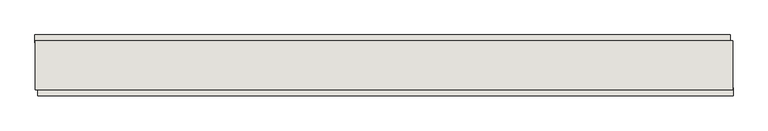
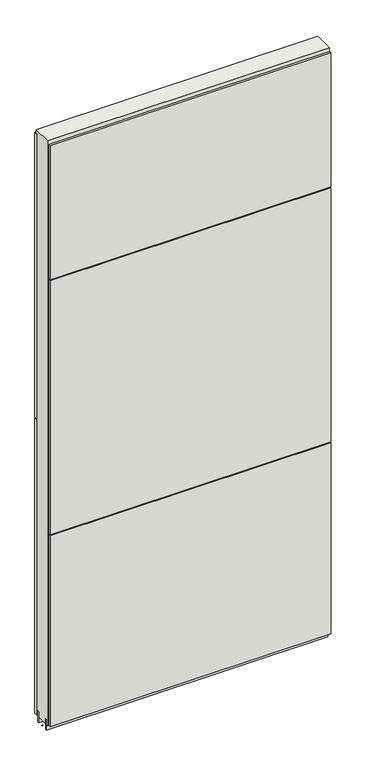
"""IFC4 building model written with IfcOpenShell, lengths in millimetres: wall geometry."""

from ifc_helpers import new_model, si_unit, frame, origin, place, context, project, spatial, polyline, outline, extrude, source, transform, mapped, element, save


def wall_ff98151f(model_context):
    return source(origin(), model_context, "Body", "SweptSolid", [
        extrude(outline(polyline([(42882.82, -53666.130793), (42880.28, -53666.130793), (42880.28, -53663.590793), (42882.82, -53663.590793), (42882.82, -53666.130793)])), frame((0.0, 0.0, 4419.6), z_axis=(0.0, 0.0, 1.0), x_axis=(1.0, 0.0, 0.0)), (0.0, 0.0, 1.0), 2.54),
        extrude(outline(polyline([(42879.813783, -53614.0669906), (44044.213791, -53614.0669906), (44044.213791, -53626.7669906), (42879.813783, -53626.7669906), (42879.813783, -53614.0669906)])), frame((0.0, 0.0, 5742.4000722), z_axis=(0.0, 0.0, 1.0), x_axis=(1.0, 0.0, 0.0)), (0.0, 0.0, 1.0), 1247.649905),
        extrude(outline(polyline([(42879.813783, -53614.0669906), (44044.213791, -53614.0669906), (44044.213791, -53626.7669906), (42879.813783, -53626.7669906), (42879.813783, -53614.0669906)])), frame((0.0, 0.0, 4445.0), z_axis=(0.0, 0.0, 1.0), x_axis=(1.0, 0.0, 0.0)), (0.0, 0.0, 1.0), 1293.400004),
        extrude(outline(polyline([(44049.1437278, -53715.660793), (42884.7437198, -53715.660793), (42884.7437198, -53702.960793), (44049.1437278, -53702.960793), (44049.1437278, -53715.660793)])), frame((0.0, 0.0, 6402.8000722), z_axis=(0.0, 0.0, 1.0), x_axis=(1.0, 0.0, 0.0)), (0.0, 0.0, 1.0), 587.2498034),
        extrude(outline(polyline([(44049.1437278, -53715.660793), (42884.7437198, -53715.660793), (42884.7437198, -53702.960793), (44049.1437278, -53702.960793), (44049.1437278, -53715.660793)])), frame((0.0, 0.0, 5285.2000722), z_axis=(0.0, 0.0, 1.0), x_axis=(1.0, 0.0, 0.0)), (0.0, 0.0, 1.0), 1113.5999572),
        extrude(outline(polyline([(44049.1437278, -53715.660793), (42884.7437198, -53715.660793), (42884.7437198, -53702.960793), (44049.1437278, -53702.960793), (44049.1437278, -53715.660793)])), frame((0.0, 0.0, 4445.0), z_axis=(0.0, 0.0, 1.0), x_axis=(1.0, 0.0, 0.0)), (0.0, 0.0, 1.0), 836.200004),
        extrude(outline(polyline([(44048.6787554, -53639.7708508), (42880.2787554, -53639.7708508), (42880.2787554, -53634.6920954), (44048.6787554, -53634.6920954), (44048.6787554, -53639.7708508)])), frame((0.0, 0.0, 4418.6602), z_axis=(0.0, 0.0, 1.0), x_axis=(1.0, 0.0, 0.0)), (0.0, 0.0, 1.0), 47.625),
        extrude(outline(polyline([(44048.6787554, -53639.7708508), (42880.2787554, -53639.7708508), (42880.2787554, -53634.6920954), (44048.6787554, -53634.6920954), (44048.6787554, -53639.7708508)])), frame((0.0, 0.0, 4418.6602), z_axis=(0.0, 0.0, 1.0), x_axis=(1.0, 0.0, 0.0)), (0.0, 0.0, 1.0), 47.625),
        extrude(outline(polyline([(42880.2787554, -53689.93834), (44048.6787554, -53689.93834), (44048.6787554, -53695.0170954), (42880.2787554, -53695.0170954), (42880.2787554, -53689.93834)])), frame((0.0, 0.0, 4418.6602), z_axis=(0.0, 0.0, 1.0), x_axis=(1.0, 0.0, 0.0)), (0.0, 0.0, 1.0), 47.625),
        extrude(outline(polyline([(42880.2787554, -53689.93834), (44048.6787554, -53689.93834), (44048.6787554, -53695.0170954), (42880.2787554, -53695.0170954), (42880.2787554, -53689.93834)])), frame((0.0, 0.0, 4418.6602), z_axis=(0.0, 0.0, 1.0), x_axis=(1.0, 0.0, 0.0)), (0.0, 0.0, 1.0), 47.625),
        extrude(outline(polyline([(44048.6787554, -53624.2245014), (44048.6787554, -53705.5032822), (42880.2787554, -53705.5032822), (42880.2787554, -53624.2245014), (44048.6787554, -53624.2245014)])), frame((0.0, 0.0, 4445.0), z_axis=(0.0, 0.0, 1.0), x_axis=(1.0, 0.0, 0.0)), (0.0, 0.0, 1.0), 2562.4536762),
    ])


if __name__ == "__main__":
    model = new_model("IFC4")
    model_context = context("Model", 3, world=origin())
    ifc_project = project(units=[si_unit("LENGTHUNIT", "METRE", prefix="MILLI")], contexts=[model_context])
    site = spatial("IfcSite", under=ifc_project)
    building = spatial("IfcBuilding", under=site)
    placement = place(None, origin())
    wall_shape = wall_ff98151f(model_context)
    element("IfcWall", 1, at=placement, inside=building, context=model_context, shape_type="MappedRepresentation", body=[
        mapped(wall_shape, transform((0.0, 0.0, 0.0), x_axis=(1.0, 0.0, 0.0), y_axis=(0.0, 1.0, 0.0), z_axis=(0.0, 0.0, 1.0))),
    ])
    save(model, "model.ifc")
